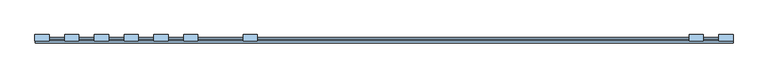
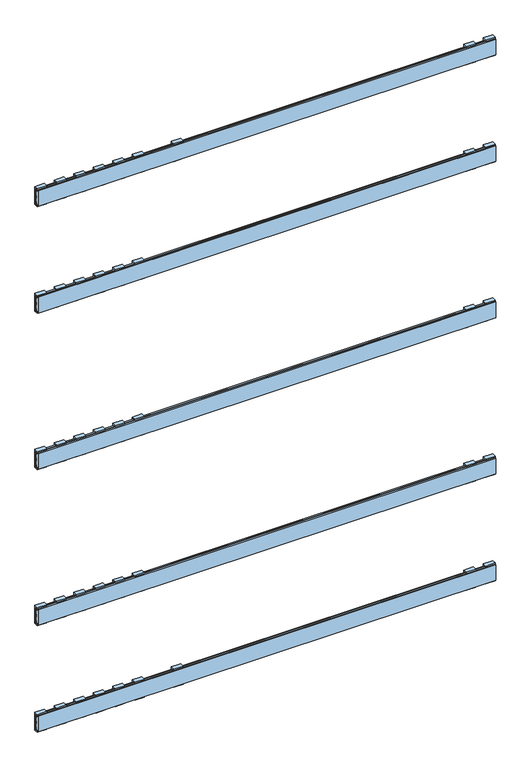
"""IFC4 building model written with IfcOpenShell, lengths in millimetres: window geometry."""

from ifc_helpers import new_model, si_unit, frame, origin, place, context, project, spatial, polyline, outline, extrude, source, transform, mapped, element, save


def window_655ca0ff(model_context):
    return source(origin(), model_context, "Body", "SweptSolid", [
        extrude(outline(polyline([(112.0, 1973.9063196), (112.0, 2029.0936804), (107.8, 2029.0936804), (107.8, 2025.0936804), (104.0, 2025.0936804), (104.0, 2033.0), (117.9, 2033.0), (117.9, 1970.0), (104.0, 1970.0), (104.0, 1977.9063196), (107.8, 1977.9063196), (107.8, 1973.9063196), (112.0, 1973.9063196)])), frame((-313.75, 0.0, 0.0), z_axis=(1.0, 0.0, 0.0), x_axis=(0.0, 1.0, 0.0)), (0.0, 0.0, 1.0), 31.0),
        extrude(outline(polyline([(112.0, 177.0936804), (107.8, 177.0936804), (107.8, 173.0936804), (104.0, 173.0936804), (104.0, 181.0), (117.9, 181.0), (117.9, 118.0), (104.0, 118.0), (104.0, 125.9063196), (107.8, 125.9063196), (107.8, 121.9063196), (112.0, 121.9063196), (112.0, 177.0936804)])), frame((-313.75, 0.0, 0.0), z_axis=(1.0, 0.0, 0.0), x_axis=(0.0, 1.0, 0.0)), (0.0, 0.0, 1.0), 31.0),
        extrude(outline(polyline([(112.0, 1597.9063196), (112.0, 1653.0936804), (107.8, 1653.0936804), (107.8, 1649.0936804), (104.0, 1649.0936804), (104.0, 1657.0), (117.9, 1657.0), (117.9, 1594.0), (104.0, 1594.0), (104.0, 1601.9063196), (107.8, 1601.9063196), (107.8, 1597.9063196), (112.0, 1597.9063196)])), frame((661.0, 0.0, 0.0), z_axis=(1.0, 0.0, 0.0), x_axis=(0.0, 1.0, 0.0)), (0.0, 0.0, 1.0), 31.0),
        extrude(outline(polyline([(112.0, 1047.9063196), (112.0, 1103.0936804), (107.8, 1103.0936804), (107.8, 1099.0936804), (104.0, 1099.0936804), (104.0, 1107.0), (117.9, 1107.0), (117.9, 1044.0), (104.0, 1044.0), (104.0, 1051.9063196), (107.8, 1051.9063196), (107.8, 1047.9063196), (112.0, 1047.9063196)])), frame((661.0, 0.0, 0.0), z_axis=(1.0, 0.0, 0.0), x_axis=(0.0, 1.0, 0.0)), (0.0, 0.0, 1.0), 31.0),
        extrude(outline(polyline([(112.0, 497.9063196), (112.0, 553.0936804), (107.8, 553.0936804), (107.8, 549.0936804), (104.0, 549.0936804), (104.0, 557.0), (117.9, 557.0), (117.9, 494.0), (104.0, 494.0), (104.0, 501.9063196), (107.8, 501.9063196), (107.8, 497.9063196), (112.0, 497.9063196)])), frame((661.0, 0.0, 0.0), z_axis=(1.0, 0.0, 0.0), x_axis=(0.0, 1.0, 0.0)), (0.0, 0.0, 1.0), 31.0),
        extrude(outline(polyline([(112.0, 1973.9063196), (112.0, 2029.0936804), (107.8, 2029.0936804), (107.8, 2025.0936804), (104.0, 2025.0936804), (104.0, 2033.0), (117.9, 2033.0), (117.9, 1970.0), (104.0, 1970.0), (104.0, 1977.9063196), (107.8, 1977.9063196), (107.8, 1973.9063196), (112.0, 1973.9063196)])), frame((661.0, 0.0, 0.0), z_axis=(1.0, 0.0, 0.0), x_axis=(0.0, 1.0, 0.0)), (0.0, 0.0, 1.0), 31.0),
        extrude(outline(polyline([(112.0, 177.0936804), (107.8, 177.0936804), (107.8, 173.0936804), (104.0, 173.0936804), (104.0, 181.0), (117.9, 181.0), (117.9, 118.0), (104.0, 118.0), (104.0, 125.9063196), (107.8, 125.9063196), (107.8, 121.9063196), (112.0, 121.9063196), (112.0, 177.0936804)])), frame((661.0, 0.0, 0.0), z_axis=(1.0, 0.0, 0.0), x_axis=(0.0, 1.0, 0.0)), (0.0, 0.0, 1.0), 31.0),
        extrude(outline(polyline([(112.0, 1597.9063196), (112.0, 1653.0936804), (107.8, 1653.0936804), (107.8, 1649.0936804), (104.0, 1649.0936804), (104.0, 1657.0), (117.9, 1657.0), (117.9, 1594.0), (104.0, 1594.0), (104.0, 1601.9063196), (107.8, 1601.9063196), (107.8, 1597.9063196), (112.0, 1597.9063196)])), frame((-703.7, 0.0, 0.0), z_axis=(1.0, 0.0, 0.0), x_axis=(0.0, 1.0, 0.0)), (0.0, 0.0, 1.0), 31.0),
        extrude(outline(polyline([(112.0, 1047.9063196), (112.0, 1103.0936804), (107.8, 1103.0936804), (107.8, 1099.0936804), (104.0, 1099.0936804), (104.0, 1107.0), (117.9, 1107.0), (117.9, 1044.0), (104.0, 1044.0), (104.0, 1051.9063196), (107.8, 1051.9063196), (107.8, 1047.9063196), (112.0, 1047.9063196)])), frame((-703.7, 0.0, 0.0), z_axis=(1.0, 0.0, 0.0), x_axis=(0.0, 1.0, 0.0)), (0.0, 0.0, 1.0), 31.0),
        extrude(outline(polyline([(112.0, 497.9063196), (112.0, 553.0936804), (107.8, 553.0936804), (107.8, 549.0936804), (104.0, 549.0936804), (104.0, 557.0), (117.9, 557.0), (117.9, 494.0), (104.0, 494.0), (104.0, 501.9063196), (107.8, 501.9063196), (107.8, 497.9063196), (112.0, 497.9063196)])), frame((-703.7, 0.0, 0.0), z_axis=(1.0, 0.0, 0.0), x_axis=(0.0, 1.0, 0.0)), (0.0, 0.0, 1.0), 31.0),
        extrude(outline(polyline([(112.0, 1973.9063196), (112.0, 2029.0936804), (107.8, 2029.0936804), (107.8, 2025.0936804), (104.0, 2025.0936804), (104.0, 2033.0), (117.9, 2033.0), (117.9, 1970.0), (104.0, 1970.0), (104.0, 1977.9063196), (107.8, 1977.9063196), (107.8, 1973.9063196), (112.0, 1973.9063196)])), frame((-703.7, 0.0, 0.0), z_axis=(1.0, 0.0, 0.0), x_axis=(0.0, 1.0, 0.0)), (0.0, 0.0, 1.0), 31.0),
        extrude(outline(polyline([(112.0, 177.0936804), (107.8, 177.0936804), (107.8, 173.0936804), (104.0, 173.0936804), (104.0, 181.0), (117.9, 181.0), (117.9, 118.0), (104.0, 118.0), (104.0, 125.9063196), (107.8, 125.9063196), (107.8, 121.9063196), (112.0, 121.9063196), (112.0, 177.0936804)])), frame((-703.7, 0.0, 0.0), z_axis=(1.0, 0.0, 0.0), x_axis=(0.0, 1.0, 0.0)), (0.0, 0.0, 1.0), 31.0),
        extrude(outline(polyline([(112.0, 1653.0936804), (107.8, 1653.0936804), (107.8, 1649.0936804), (104.0, 1649.0936804), (104.0, 1657.0), (117.9, 1657.0), (117.9, 1594.0), (104.0, 1594.0), (104.0, 1601.9063196), (107.8, 1601.9063196), (107.8, 1597.9063196), (112.0, 1597.9063196), (112.0, 1653.0936804)])), frame((-508.7, 0.0, 0.0), z_axis=(1.0, 0.0, 0.0), x_axis=(0.0, 1.0, 0.0)), (0.0, 0.0, 1.0), 31.0),
        extrude(outline(polyline([(112.0, 1103.0936804), (107.8, 1103.0936804), (107.8, 1099.0936804), (104.0, 1099.0936804), (104.0, 1107.0), (117.9, 1107.0), (117.9, 1044.0), (104.0, 1044.0), (104.0, 1051.9063196), (107.8, 1051.9063196), (107.8, 1047.9063196), (112.0, 1047.9063196), (112.0, 1103.0936804)])), frame((-508.7, 0.0, 0.0), z_axis=(1.0, 0.0, 0.0), x_axis=(0.0, 1.0, 0.0)), (0.0, 0.0, 1.0), 31.0),
        extrude(outline(polyline([(112.0, 553.0936804), (107.8, 553.0936804), (107.8, 549.0936804), (104.0, 549.0936804), (104.0, 557.0), (117.9, 557.0), (117.9, 494.0), (104.0, 494.0), (104.0, 501.9063196), (107.8, 501.9063196), (107.8, 497.9063196), (112.0, 497.9063196), (112.0, 553.0936804)])), frame((-508.7, 0.0, 0.0), z_axis=(1.0, 0.0, 0.0), x_axis=(0.0, 1.0, 0.0)), (0.0, 0.0, 1.0), 31.0),
        extrude(outline(polyline([(112.0, 1973.9063196), (112.0, 2029.0936804), (107.8, 2029.0936804), (107.8, 2025.0936804), (104.0, 2025.0936804), (104.0, 2033.0), (117.9, 2033.0), (117.9, 1970.0), (104.0, 1970.0), (104.0, 1977.9063196), (107.8, 1977.9063196), (107.8, 1973.9063196), (112.0, 1973.9063196)])), frame((-508.7, 0.0, 0.0), z_axis=(1.0, 0.0, 0.0), x_axis=(0.0, 1.0, 0.0)), (0.0, 0.0, 1.0), 31.0),
        extrude(outline(polyline([(112.0, 177.0936804), (107.8, 177.0936804), (107.8, 173.0936804), (104.0, 173.0936804), (104.0, 181.0), (117.9, 181.0), (117.9, 118.0), (104.0, 118.0), (104.0, 125.9063196), (107.8, 125.9063196), (107.8, 121.9063196), (112.0, 121.9063196), (112.0, 177.0936804)])), frame((-508.7, 0.0, 0.0), z_axis=(1.0, 0.0, 0.0), x_axis=(0.0, 1.0, 0.0)), (0.0, 0.0, 1.0), 31.0),
        extrude(outline(polyline([(112.0, 1653.0936804), (107.8, 1653.0936804), (107.8, 1649.0936804), (104.0, 1649.0936804), (104.0, 1657.0), (117.9, 1657.0), (117.9, 1594.0), (104.0, 1594.0), (104.0, 1601.9063196), (107.8, 1601.9063196), (107.8, 1597.9063196), (112.0, 1597.9063196), (112.0, 1653.0936804)])), frame((-638.7, 0.0, 0.0), z_axis=(1.0, 0.0, 0.0), x_axis=(0.0, 1.0, 0.0)), (0.0, 0.0, 1.0), 31.0),
        extrude(outline(polyline([(112.0, 1103.0936804), (107.8, 1103.0936804), (107.8, 1099.0936804), (104.0, 1099.0936804), (104.0, 1107.0), (117.9, 1107.0), (117.9, 1044.0), (104.0, 1044.0), (104.0, 1051.9063196), (107.8, 1051.9063196), (107.8, 1047.9063196), (112.0, 1047.9063196), (112.0, 1103.0936804)])), frame((-638.7, 0.0, 0.0), z_axis=(1.0, 0.0, 0.0), x_axis=(0.0, 1.0, 0.0)), (0.0, 0.0, 1.0), 31.0),
        extrude(outline(polyline([(112.0, 553.0936804), (107.8, 553.0936804), (107.8, 549.0936804), (104.0, 549.0936804), (104.0, 557.0), (117.9, 557.0), (117.9, 494.0), (104.0, 494.0), (104.0, 501.9063196), (107.8, 501.9063196), (107.8, 497.9063196), (112.0, 497.9063196), (112.0, 553.0936804)])), frame((-638.7, 0.0, 0.0), z_axis=(1.0, 0.0, 0.0), x_axis=(0.0, 1.0, 0.0)), (0.0, 0.0, 1.0), 31.0),
        extrude(outline(polyline([(112.0, 1973.9063196), (112.0, 2029.0936804), (107.8, 2029.0936804), (107.8, 2025.0936804), (104.0, 2025.0936804), (104.0, 2033.0), (117.9, 2033.0), (117.9, 1970.0), (104.0, 1970.0), (104.0, 1977.9063196), (107.8, 1977.9063196), (107.8, 1973.9063196), (112.0, 1973.9063196)])), frame((-638.7, 0.0, 0.0), z_axis=(1.0, 0.0, 0.0), x_axis=(0.0, 1.0, 0.0)), (0.0, 0.0, 1.0), 31.0),
        extrude(outline(polyline([(112.0, 177.0936804), (107.8, 177.0936804), (107.8, 173.0936804), (104.0, 173.0936804), (104.0, 181.0), (117.9, 181.0), (117.9, 118.0), (104.0, 118.0), (104.0, 125.9063196), (107.8, 125.9063196), (107.8, 121.9063196), (112.0, 121.9063196), (112.0, 177.0936804)])), frame((-638.7, 0.0, 0.0), z_axis=(1.0, 0.0, 0.0), x_axis=(0.0, 1.0, 0.0)), (0.0, 0.0, 1.0), 31.0),
        extrude(outline(polyline([(112.0, 1653.0936804), (107.8, 1653.0936804), (107.8, 1649.0936804), (104.0, 1649.0936804), (104.0, 1657.0), (117.9, 1657.0), (117.9, 1594.0), (104.0, 1594.0), (104.0, 1601.9063196), (107.8, 1601.9063196), (107.8, 1597.9063196), (112.0, 1597.9063196), (112.0, 1653.0936804)])), frame((-443.75, 0.0, 0.0), z_axis=(1.0, 0.0, 0.0), x_axis=(0.0, 1.0, 0.0)), (0.0, 0.0, 1.0), 31.0),
        extrude(outline(polyline([(112.0, 1103.0936804), (107.8, 1103.0936804), (107.8, 1099.0936804), (104.0, 1099.0936804), (104.0, 1107.0), (117.9, 1107.0), (117.9, 1044.0), (104.0, 1044.0), (104.0, 1051.9063196), (107.8, 1051.9063196), (107.8, 1047.9063196), (112.0, 1047.9063196), (112.0, 1103.0936804)])), frame((-443.75, 0.0, 0.0), z_axis=(1.0, 0.0, 0.0), x_axis=(0.0, 1.0, 0.0)), (0.0, 0.0, 1.0), 31.0),
        extrude(outline(polyline([(112.0, 553.0936804), (107.8, 553.0936804), (107.8, 549.0936804), (104.0, 549.0936804), (104.0, 557.0), (117.9, 557.0), (117.9, 494.0), (104.0, 494.0), (104.0, 501.9063196), (107.8, 501.9063196), (107.8, 497.9063196), (112.0, 497.9063196), (112.0, 553.0936804)])), frame((-443.75, 0.0, 0.0), z_axis=(1.0, 0.0, 0.0), x_axis=(0.0, 1.0, 0.0)), (0.0, 0.0, 1.0), 31.0),
        extrude(outline(polyline([(112.0, 1973.9063196), (112.0, 2029.0936804), (107.8, 2029.0936804), (107.8, 2025.0936804), (104.0, 2025.0936804), (104.0, 2033.0), (117.9, 2033.0), (117.9, 1970.0), (104.0, 1970.0), (104.0, 1977.9063196), (107.8, 1977.9063196), (107.8, 1973.9063196), (112.0, 1973.9063196)])), frame((-443.75, 0.0, 0.0), z_axis=(1.0, 0.0, 0.0), x_axis=(0.0, 1.0, 0.0)), (0.0, 0.0, 1.0), 31.0),
        extrude(outline(polyline([(112.0, 177.0936804), (107.8, 177.0936804), (107.8, 173.0936804), (104.0, 173.0936804), (104.0, 181.0), (117.9, 181.0), (117.9, 118.0), (104.0, 118.0), (104.0, 125.9063196), (107.8, 125.9063196), (107.8, 121.9063196), (112.0, 121.9063196), (112.0, 177.0936804)])), frame((-443.75, 0.0, 0.0), z_axis=(1.0, 0.0, 0.0), x_axis=(0.0, 1.0, 0.0)), (0.0, 0.0, 1.0), 31.0),
        extrude(outline(polyline([(112.0, 1653.0936804), (107.8, 1653.0936804), (107.8, 1649.0936804), (104.0, 1649.0936804), (104.0, 1657.0), (117.9, 1657.0), (117.9, 1594.0), (104.0, 1594.0), (104.0, 1601.9063196), (107.8, 1601.9063196), (107.8, 1597.9063196), (112.0, 1597.9063196), (112.0, 1653.0936804)])), frame((-573.75, 0.0, 0.0), z_axis=(1.0, 0.0, 0.0), x_axis=(0.0, 1.0, 0.0)), (0.0, 0.0, 1.0), 31.0),
        extrude(outline(polyline([(112.0, 1103.0936804), (107.8, 1103.0936804), (107.8, 1099.0936804), (104.0, 1099.0936804), (104.0, 1107.0), (117.9, 1107.0), (117.9, 1044.0), (104.0, 1044.0), (104.0, 1051.9063196), (107.8, 1051.9063196), (107.8, 1047.9063196), (112.0, 1047.9063196), (112.0, 1103.0936804)])), frame((-573.75, 0.0, 0.0), z_axis=(1.0, 0.0, 0.0), x_axis=(0.0, 1.0, 0.0)), (0.0, 0.0, 1.0), 31.0),
        extrude(outline(polyline([(112.0, 553.0936804), (107.8, 553.0936804), (107.8, 549.0936804), (104.0, 549.0936804), (104.0, 557.0), (117.9, 557.0), (117.9, 494.0), (104.0, 494.0), (104.0, 501.9063196), (107.8, 501.9063196), (107.8, 497.9063196), (112.0, 497.9063196), (112.0, 553.0936804)])), frame((-573.75, 0.0, 0.0), z_axis=(1.0, 0.0, 0.0), x_axis=(0.0, 1.0, 0.0)), (0.0, 0.0, 1.0), 31.0),
        extrude(outline(polyline([(112.0, 1973.9063196), (112.0, 2029.0936804), (107.8, 2029.0936804), (107.8, 2025.0936804), (104.0, 2025.0936804), (104.0, 2033.0), (117.9, 2033.0), (117.9, 1970.0), (104.0, 1970.0), (104.0, 1977.9063196), (107.8, 1977.9063196), (107.8, 1973.9063196), (112.0, 1973.9063196)])), frame((-573.75, 0.0, 0.0), z_axis=(1.0, 0.0, 0.0), x_axis=(0.0, 1.0, 0.0)), (0.0, 0.0, 1.0), 31.0),
        extrude(outline(polyline([(112.0, 177.0936804), (107.8, 177.0936804), (107.8, 173.0936804), (104.0, 173.0936804), (104.0, 181.0), (117.9, 181.0), (117.9, 118.0), (104.0, 118.0), (104.0, 125.9063196), (107.8, 125.9063196), (107.8, 121.9063196), (112.0, 121.9063196), (112.0, 177.0936804)])), frame((-573.75, 0.0, 0.0), z_axis=(1.0, 0.0, 0.0), x_axis=(0.0, 1.0, 0.0)), (0.0, 0.0, 1.0), 31.0),
        extrude(outline(polyline([(112.0, 1597.9063196), (112.0, 1653.0936804), (107.8, 1653.0936804), (107.8, 1649.0936804), (104.0, 1649.0936804), (104.0, 1657.0), (117.9, 1657.0), (117.9, 1594.0), (104.0, 1594.0), (104.0, 1601.9063196), (107.8, 1601.9063196), (107.8, 1597.9063196), (112.0, 1597.9063196)])), frame((726.0, 0.0, 0.0), z_axis=(1.0, 0.0, 0.0), x_axis=(0.0, 1.0, 0.0)), (0.0, 0.0, 1.0), 31.0),
        extrude(outline(polyline([(112.0, 1047.9063196), (112.0, 1103.0936804), (107.8, 1103.0936804), (107.8, 1099.0936804), (104.0, 1099.0936804), (104.0, 1107.0), (117.9, 1107.0), (117.9, 1044.0), (104.0, 1044.0), (104.0, 1051.9063196), (107.8, 1051.9063196), (107.8, 1047.9063196), (112.0, 1047.9063196)])), frame((726.0, 0.0, 0.0), z_axis=(1.0, 0.0, 0.0), x_axis=(0.0, 1.0, 0.0)), (0.0, 0.0, 1.0), 31.0),
        extrude(outline(polyline([(112.0, 497.9063196), (112.0, 553.0936804), (107.8, 553.0936804), (107.8, 549.0936804), (104.0, 549.0936804), (104.0, 557.0), (117.9, 557.0), (117.9, 494.0), (104.0, 494.0), (104.0, 501.9063196), (107.8, 501.9063196), (107.8, 497.9063196), (112.0, 497.9063196)])), frame((726.0, 0.0, 0.0), z_axis=(1.0, 0.0, 0.0), x_axis=(0.0, 1.0, 0.0)), (0.0, 0.0, 1.0), 31.0),
        extrude(outline(polyline([(112.0, 1973.9063196), (112.0, 2029.0936804), (107.8, 2029.0936804), (107.8, 2025.0936804), (104.0, 2025.0936804), (104.0, 2033.0), (117.9, 2033.0), (117.9, 1970.0), (104.0, 1970.0), (104.0, 1977.9063196), (107.8, 1977.9063196), (107.8, 1973.9063196), (112.0, 1973.9063196)])), frame((726.0, 0.0, 0.0), z_axis=(1.0, 0.0, 0.0), x_axis=(0.0, 1.0, 0.0)), (0.0, 0.0, 1.0), 31.0),
        extrude(outline(polyline([(112.0, 177.0936804), (107.8, 177.0936804), (107.8, 173.0936804), (104.0, 173.0936804), (104.0, 181.0), (117.9, 181.0), (117.9, 118.0), (104.0, 118.0), (104.0, 125.9063196), (107.8, 125.9063196), (107.8, 121.9063196), (112.0, 121.9063196), (112.0, 177.0936804)])), frame((726.0, 0.0, 0.0), z_axis=(1.0, 0.0, 0.0), x_axis=(0.0, 1.0, 0.0)), (0.0, 0.0, 1.0), 31.0),
        extrude(outline(polyline([(112.0, 1597.9063196), (112.0, 1653.0936804), (107.8, 1653.0936804), (107.8, 1649.0936804), (104.0, 1649.0936804), (104.0, 1657.0), (117.9, 1657.0), (117.9, 1594.0), (104.0, 1594.0), (104.0, 1601.9063196), (107.8, 1601.9063196), (107.8, 1597.9063196), (112.0, 1597.9063196)])), frame((-768.7, 0.0, 0.0), z_axis=(1.0, 0.0, 0.0), x_axis=(0.0, 1.0, 0.0)), (0.0, 0.0, 1.0), 31.0),
        extrude(outline(polyline([(112.0, 1047.9063196), (112.0, 1103.0936804), (107.8, 1103.0936804), (107.8, 1099.0936804), (104.0, 1099.0936804), (104.0, 1107.0), (117.9, 1107.0), (117.9, 1044.0), (104.0, 1044.0), (104.0, 1051.9063196), (107.8, 1051.9063196), (107.8, 1047.9063196), (112.0, 1047.9063196)])), frame((-768.7, 0.0, 0.0), z_axis=(1.0, 0.0, 0.0), x_axis=(0.0, 1.0, 0.0)), (0.0, 0.0, 1.0), 31.0),
        extrude(outline(polyline([(112.0, 497.9063196), (112.0, 553.0936804), (107.8, 553.0936804), (107.8, 549.0936804), (104.0, 549.0936804), (104.0, 557.0), (117.9, 557.0), (117.9, 494.0), (104.0, 494.0), (104.0, 501.9063196), (107.8, 501.9063196), (107.8, 497.9063196), (112.0, 497.9063196)])), frame((-768.7, 0.0, 0.0), z_axis=(1.0, 0.0, 0.0), x_axis=(0.0, 1.0, 0.0)), (0.0, 0.0, 1.0), 31.0),
        extrude(outline(polyline([(112.0, 1973.9063196), (112.0, 2029.0936804), (107.8, 2029.0936804), (107.8, 2025.0936804), (104.0, 2025.0936804), (104.0, 2033.0), (117.9, 2033.0), (117.9, 1970.0), (104.0, 1970.0), (104.0, 1977.9063196), (107.8, 1977.9063196), (107.8, 1973.9063196), (112.0, 1973.9063196)])), frame((-768.7, 0.0, 0.0), z_axis=(1.0, 0.0, 0.0), x_axis=(0.0, 1.0, 0.0)), (0.0, 0.0, 1.0), 31.0),
        extrude(outline(polyline([(112.0, 177.0936804), (107.8, 177.0936804), (107.8, 173.0936804), (104.0, 173.0936804), (104.0, 181.0), (117.9, 181.0), (117.9, 118.0), (104.0, 118.0), (104.0, 125.9063196), (107.8, 125.9063196), (107.8, 121.9063196), (112.0, 121.9063196), (112.0, 177.0936804)])), frame((-768.7, 0.0, 0.0), z_axis=(1.0, 0.0, 0.0), x_axis=(0.0, 1.0, 0.0)), (0.0, 0.0, 1.0), 31.0),
        extrude(outline(polyline([(100.0, 1653.0063196), (104.0, 1653.0063196), (104.0, 1649.0063196), (108.0, 1649.0063196), (108.0, 1653.0063196), (112.0, 1653.0063196), (112.0, 1648.0063196), (109.0, 1648.0063196), (109.0, 1643.0063196), (112.0, 1643.0063196), (112.0, 1630.5063196), (109.0, 1630.5063196), (109.0, 1620.5063196), (112.0, 1620.5063196), (112.0, 1608.0063196), (109.0, 1608.0063196), (109.0, 1603.0063196), (112.0, 1603.0063196), (112.0, 1598.0063196), (108.0, 1598.0063196), (108.0, 1602.0063196), (104.0, 1602.0063196), (104.0, 1598.0063196), (100.0, 1598.0063196), (100.0, 1653.0063196)])), frame((-768.5, 0.0, 0.0), z_axis=(1.0, 0.0, 0.0), x_axis=(0.0, 1.0, 0.0)), (0.0, 0.0, 1.0), 1525.5),
        extrude(outline(polyline([(100.0, 1103.0063196), (104.0, 1103.0063196), (104.0, 1099.0063196), (108.0, 1099.0063196), (108.0, 1103.0063196), (112.0, 1103.0063196), (112.0, 1098.0063196), (109.0, 1098.0063196), (109.0, 1093.0063196), (112.0, 1093.0063196), (112.0, 1080.5063196), (109.0, 1080.5063196), (109.0, 1070.5063196), (112.0, 1070.5063196), (112.0, 1058.0063196), (109.0, 1058.0063196), (109.0, 1053.0063196), (112.0, 1053.0063196), (112.0, 1048.0063196), (108.0, 1048.0063196), (108.0, 1052.0063196), (104.0, 1052.0063196), (104.0, 1048.0063196), (100.0, 1048.0063196), (100.0, 1103.0063196)])), frame((-768.5, 0.0, 0.0), z_axis=(1.0, 0.0, 0.0), x_axis=(0.0, 1.0, 0.0)), (0.0, 0.0, 1.0), 1525.5),
        extrude(outline(polyline([(100.0, 553.0063196), (104.0, 553.0063196), (104.0, 549.0063196), (108.0, 549.0063196), (108.0, 553.0063196), (112.0, 553.0063196), (112.0, 548.0063196), (109.0, 548.0063196), (109.0, 543.0063196), (112.0, 543.0063196), (112.0, 530.5063196), (109.0, 530.5063196), (109.0, 520.5063196), (112.0, 520.5063196), (112.0, 508.0063196), (109.0, 508.0063196), (109.0, 503.0063196), (112.0, 503.0063196), (112.0, 498.0063196), (108.0, 498.0063196), (108.0, 502.0063196), (104.0, 502.0063196), (104.0, 498.0063196), (100.0, 498.0063196), (100.0, 553.0063196)])), frame((-768.5, 0.0, 0.0), z_axis=(1.0, 0.0, 0.0), x_axis=(0.0, 1.0, 0.0)), (0.0, 0.0, 1.0), 1525.5),
        extrude(outline(polyline([(100.0, 2029.0), (104.0, 2029.0), (104.0, 2025.0), (108.0, 2025.0), (108.0, 2029.0), (112.0, 2029.0), (112.0, 2024.0), (109.0, 2024.0), (109.0, 2019.0), (112.0, 2019.0), (112.0, 2006.5), (109.0, 2006.5), (109.0, 1996.5), (112.0, 1996.5), (112.0, 1984.0), (109.0, 1984.0), (109.0, 1979.0), (112.0, 1979.0), (112.0, 1974.0), (108.0, 1974.0), (108.0, 1978.0), (104.0, 1978.0), (104.0, 1974.0), (100.0, 1974.0), (100.0, 2029.0)])), frame((-768.5, 0.0, 0.0), z_axis=(1.0, 0.0, 0.0), x_axis=(0.0, 1.0, 0.0)), (0.0, 0.0, 1.0), 1525.5),
        extrude(outline(polyline([(100.0, 177.0), (104.0, 177.0), (104.0, 173.0), (108.0, 173.0), (108.0, 177.0), (112.0, 177.0), (112.0, 172.0), (109.0, 172.0), (109.0, 167.0), (112.0, 167.0), (112.0, 154.5), (109.0, 154.5), (109.0, 144.5), (112.0, 144.5), (112.0, 132.0), (109.0, 132.0), (109.0, 127.0), (112.0, 127.0), (112.0, 122.0), (108.0, 122.0), (108.0, 126.0), (104.0, 126.0), (104.0, 122.0), (100.0, 122.0), (100.0, 177.0)])), frame((-768.5, 0.0, 0.0), z_axis=(1.0, 0.0, 0.0), x_axis=(0.0, 1.0, 0.0)), (0.0, 0.0, 1.0), 1525.5),
    ])


if __name__ == "__main__":
    model = new_model("IFC4")
    model_context = context("Model", 3, world=origin())
    ifc_project = project(units=[si_unit("LENGTHUNIT", "METRE", prefix="MILLI")], contexts=[model_context])
    site = spatial("IfcSite", under=ifc_project)
    building = spatial("IfcBuilding", under=site)
    placement = place(None, origin())
    window_shape = window_655ca0ff(model_context)
    element("IfcWindow", 1, at=placement, inside=building, context=model_context, shape_type="MappedRepresentation", body=[
        mapped(window_shape, transform((0.0, 0.0, 0.0), x_axis=(1.0, 0.0, 0.0), y_axis=(0.0, 1.0, 0.0), z_axis=(0.0, 0.0, 1.0))),
    ])
    save(model, "model.ifc")
